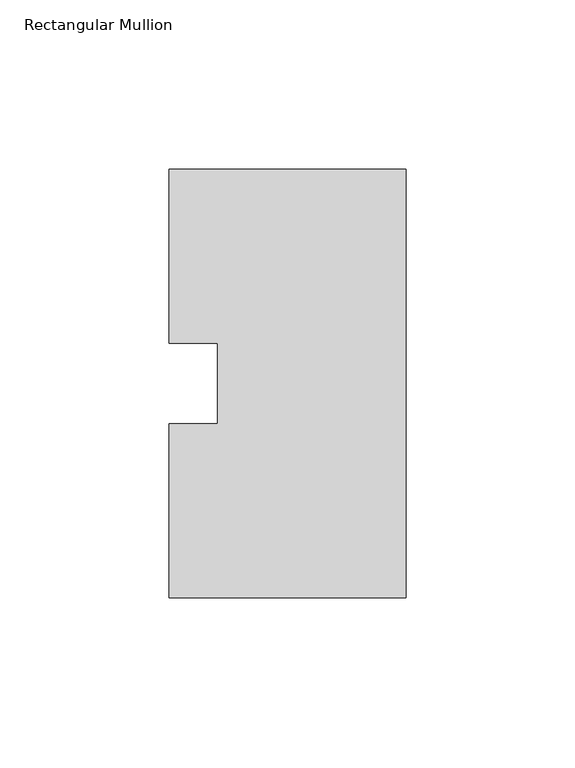
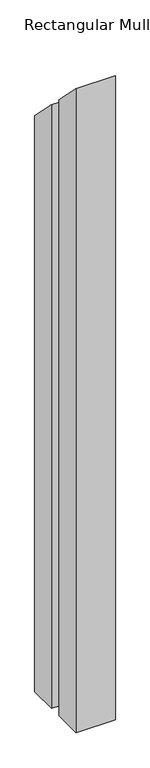
"""IFC4 building model written with IfcOpenShell, lengths in millimetres: member geometry, Rectangular Mullion."""

import ifcopenshell
import ifcopenshell.guid

model = None  # the IFC model being written
_history = None  # IfcOwnerHistory: only IFC2X3 demands one
_inside = {}  # id of a spatial element -> (the spatial element, [elements in it])
_under = {}  # id of a project, library or spatial element -> (it, [spatial elements below it])
_declared = {}  # id of a project -> (the project, [libraries it declares])
_typed = {}  # id of a type object -> (the type object, [elements of that type])
_made_of = {}  # id of a material, layer set ... -> (it, [elements and type objects made of it])


def new_model(schema):
    """Start an empty IFC model of exactly this schema.

    Asked for "IFC4X3", IfcOpenShell would pick the latest addendum, in which some entities
    have other attributes; the version numbers below select the first issue.
    IFC2X3 requires an IfcOwnerHistory on every rooted entity: one is made here for all.
    """
    global model, _history
    if schema == "IFC4X3":
        model = ifcopenshell.file(schema_version=(4, 3, 0, 0))
    else:
        model = ifcopenshell.file(schema=schema)
    _inside.clear()
    _under.clear()
    _declared.clear()
    _typed.clear()
    _made_of.clear()
    _history = None
    if model.schema == "IFC2X3":
        org = make("IfcOrganization", Name="unknown")
        user = make(
            "IfcPersonAndOrganization",
            ThePerson=make("IfcPerson", FamilyName="unknown"),
            TheOrganization=org,
        )
        app = make(
            "IfcApplication",
            ApplicationDeveloper=org,
            Version="unknown",
            ApplicationFullName="unknown",
            ApplicationIdentifier="unknown",
        )
        _history = make(
            "IfcOwnerHistory",
            OwningUser=user,
            OwningApplication=app,
            ChangeAction="ADDED",
            CreationDate=0,
        )
    return model


def make(cls, **values):
    """One entity of the class cls with the attributes given. An attribute that is None is left unset."""
    return model.create_entity(
        cls, **{name: value for name, value in values.items() if value is not None}
    )


def rooted(cls, **values):
    """An entity with a GlobalId (a new one), such as an element, a storey or a relation."""
    return make(cls, GlobalId=ifcopenshell.guid.new(), OwnerHistory=_history, **values)


def si_unit(unit_type, name, prefix=None):
    """IfcSIUnit, for example si_unit("LENGTHUNIT", "METRE", prefix="MILLI")."""
    return make("IfcSIUnit", UnitType=unit_type, Prefix=prefix, Name=name)


def assignment(units):
    """IfcUnitAssignment: the units of a project."""
    return None if units is None else make("IfcUnitAssignment", Units=units)


def point(xyz):
    """IfcCartesianPoint."""
    return None if xyz is None else make("IfcCartesianPoint", Coordinates=xyz)


def direction(xyz):
    """IfcDirection."""
    return None if xyz is None else make("IfcDirection", DirectionRatios=xyz)


def frame(location, z_axis=None, x_axis=None):
    """IfcAxis2Placement3D, a coordinate frame: its origin and axes. An axis left out is left unset."""
    return make(
        "IfcAxis2Placement3D",
        Location=point(location),
        Axis=direction(z_axis),
        RefDirection=direction(x_axis),
    )


def origin():
    """The frame at (0, 0, 0) with its axes left unset."""
    return frame((0.0, 0.0, 0.0))


def place(relative_to, where):
    """IfcLocalPlacement: puts the frame where relative to a parent placement (None: the world)."""
    return make(
        "IfcLocalPlacement", PlacementRelTo=relative_to, RelativePlacement=where
    )


def context(
    kind, dimensions, precision=None, world=None, true_north=None, identifier=None
):
    """IfcGeometricRepresentationContext, for example the 3D "Model" context."""
    return make(
        "IfcGeometricRepresentationContext",
        ContextIdentifier=identifier,
        ContextType=kind,
        CoordinateSpaceDimension=dimensions,
        Precision=precision,
        WorldCoordinateSystem=world,
        TrueNorth=true_north,
    )


def project(units=None, contexts=None):
    """IfcProject with its units and contexts."""
    return rooted(
        "IfcProject",
        Name="project",
        RepresentationContexts=contexts,
        UnitsInContext=assignment(units),
    )


def spatial(cls, under=None, at=None, **own):
    """A site, building, storey or space (cls), placed at a placement, below another one or the project."""
    s = rooted(cls, ObjectPlacement=at, **own)
    if under is not None:
        _under.setdefault(under.id(), (under, []))[1].append(s)
    return s


def faces_of(points, faces, orient=None, outer=None):
    """IfcFace entities. A face is a list of loops; a loop is a list of indices into points, from 0.

    orient and outer hold one flag for each loop. By default every Orientation is true, the
    first loop of a face is its IfcFaceOuterBound and the others are IfcFaceBound.
    """
    made = []
    for i, loops in enumerate(faces):
        bounds = []
        for j, loop in enumerate(loops):
            is_outer = j == 0 if outer is None else outer[i][j]
            bounds.append(
                make(
                    "IfcFaceOuterBound" if is_outer else "IfcFaceBound",
                    Bound=make("IfcPolyLoop", Polygon=[points[k] for k in loop]),
                    Orientation=True if orient is None else orient[i][j],
                )
            )
        made.append(make("IfcFace", Bounds=bounds))
    return made


def faceted_brep(points, faces, orient=None, outer=None, voids=None):
    """IfcFacetedBrep: a solid bounded by flat faces; with voids (closed shells), ...WithVoids."""
    shared = [point(p) for p in points]
    hull = make("IfcClosedShell", CfsFaces=faces_of(shared, faces, orient, outer))
    if voids is None:
        return make("IfcFacetedBrep", Outer=hull)
    return make(
        "IfcFacetedBrepWithVoids",
        Outer=hull,
        Voids=[
            make(cls, CfsFaces=faces_of(shared, fs, o, b)) for cls, fs, o, b in voids
        ],
    )


def shape(context_of_items, identifier, shape_type, items):
    """IfcShapeRepresentation: the items that make up one representation, for example the "Body"."""
    return make(
        "IfcShapeRepresentation",
        ContextOfItems=context_of_items,
        RepresentationIdentifier=identifier,
        RepresentationType=shape_type,
        Items=items,
    )


def source(mapping_origin, context_of_items, identifier, shape_type, items):
    """IfcRepresentationMap: a shape defined once, which mapped items show again and again."""
    return make(
        "IfcRepresentationMap",
        MappingOrigin=mapping_origin,
        MappedRepresentation=shape(context_of_items, identifier, shape_type, items),
    )


def transform(
    local_origin,
    x_axis=None,
    y_axis=None,
    z_axis=None,
    scale=None,
    scale2=None,
    scale3=None,
    uniform=True,
):
    """IfcCartesianTransformationOperator3D, or its non-uniform kind. x_axis, y_axis, z_axis: its Axis1, 2, 3."""
    if uniform:
        return make(
            "IfcCartesianTransformationOperator3D",
            Axis1=direction(x_axis),
            Axis2=direction(y_axis),
            LocalOrigin=point(local_origin),
            Scale=scale,
            Axis3=direction(z_axis),
        )
    return make(
        "IfcCartesianTransformationOperator3DnonUniform",
        Axis1=direction(x_axis),
        Axis2=direction(y_axis),
        LocalOrigin=point(local_origin),
        Scale=scale,
        Axis3=direction(z_axis),
        Scale2=scale2,
        Scale3=scale3,
    )


def mapped(mapping_source, mapping_target):
    """IfcMappedItem: shows the shape of a source again, moved by a transform."""
    return make(
        "IfcMappedItem", MappingSource=mapping_source, MappingTarget=mapping_target
    )


def made_of(thing, what):
    """Note that an element or type object is made of a material, layer set ...; save() writes the relation."""
    if what is not None:
        _made_of.setdefault(what.id(), (what, []))[1].append(thing)
    return thing


def element(
    cls,
    number,
    at=None,
    inside=None,
    cuts=None,
    type_object=None,
    material=None,
    context=None,
    identifier="Body",
    shape_type=None,
    held_by="IfcProductDefinitionShape",
    body=None,
    shapes=None,
    **own,
):
    """One element of the class cls, such as IfcWall. Its Tag is "e" and its number.

    at: its placement. inside: the storey or other place that contains it. cuts: it is an
    opening in that element (IfcRelVoidsElement). A single representation is given by context,
    identifier, shape_type and body (its items); several are given by shapes. held_by: the class
    of the entity that holds the representations. save() writes the other relations.
    """
    e = rooted(cls, Tag="e%d" % number, ObjectPlacement=at, **own)
    if body is not None:
        shapes = [shape(context, identifier, shape_type, body)]
    if shapes is not None:
        e.Representation = make(held_by, Representations=shapes)
    if inside is not None:
        _inside.setdefault(inside.id(), (inside, []))[1].append(e)
    if cuts is not None:
        rooted(
            "IfcRelVoidsElement", RelatingBuildingElement=cuts, RelatedOpeningElement=e
        )
    if type_object is not None:
        _typed.setdefault(type_object.id(), (type_object, []))[1].append(e)
    return made_of(e, material)


def aggregate(whole, parts):
    """IfcRelAggregates: a whole, such as a stair, and the parts it consists of."""
    return rooted("IfcRelAggregates", RelatingObject=whole, RelatedObjects=parts)


def save(model, path):
    """Write the relations noted so far, then the file.

    IfcRelAggregates (storeys below a building ...), IfcRelContainedInSpatialStructure (elements
    in a storey), IfcRelDefinesByType, IfcRelAssociatesMaterial and IfcRelDeclares: one each for
    every whole, place, type object, material and project.
    """
    for whole, parts in _under.values():
        aggregate(whole, parts)
    for where, things in _inside.values():
        rooted(
            "IfcRelContainedInSpatialStructure",
            RelatedElements=things,
            RelatingStructure=where,
        )
    for kind, things in _typed.values():
        rooted("IfcRelDefinesByType", RelatedObjects=things, RelatingType=kind)
    for what, things in _made_of.values():
        rooted("IfcRelAssociatesMaterial", RelatedObjects=things, RelatingMaterial=what)
    for by, libraries in _declared.values():
        rooted("IfcRelDeclares", RelatingContext=by, RelatedDefinitions=libraries)
    model.write(path)


def rectangular_mullion_f5c4ebbf(model_context):
    return source(origin(), model_context, "Body", "Brep", [
        faceted_brep([(0.0, 126.75235, -1206.50635), (0.0, 0.26035, -1206.50635), (-69.85, 0.26035, -1206.50635), (-69.85, 51.60645, -1206.50635), (-55.5625, 51.60645, -1206.50635), (-55.5625, 75.40625, -1206.50635), (-69.85, 75.40625, -1206.50635), (-69.85, 126.75235, -1206.50635), (-69.85, 126.75235, -126.75235), (0.0, 126.75235, -126.75235), (-69.85, 75.40625, -75.40625), (-55.5625, 75.40625, -75.40625), (-55.5625, 51.60645, -51.60645), (-69.85, 51.60645, -51.60645), (-69.85, 0.26035, -0.26035), (0.0, 0.26035, -0.26035)], [[[0, 1, 2, 3, 4, 5, 6, 7]], [[8, 9, 0, 7]], [[10, 8, 7, 6]], [[11, 10, 6, 5]], [[12, 11, 5, 4]], [[13, 12, 4, 3]], [[14, 13, 3, 2]], [[15, 14, 2, 1]], [[9, 15, 1, 0]], [[9, 8, 10, 11, 12, 13, 14, 15]]]),
    ])


if __name__ == "__main__":
    model = new_model("IFC4")
    model_context = context("Model", 3, world=origin())
    ifc_project = project(units=[si_unit("LENGTHUNIT", "METRE", prefix="MILLI")], contexts=[model_context])
    site = spatial("IfcSite", under=ifc_project)
    building = spatial("IfcBuilding", under=site)
    placement = place(None, origin())
    rectangular_mullion_shape = rectangular_mullion_f5c4ebbf(model_context)
    element("IfcMember", 1, ObjectType="Rectangular Mullion", at=placement, inside=building, context=model_context, shape_type="MappedRepresentation", body=[
        mapped(rectangular_mullion_shape, transform((0.0, 0.0, 0.0), x_axis=(1.0, 0.0, 0.0), y_axis=(0.0, 1.0, 0.0), z_axis=(0.0, 0.0, 1.0))),
    ])
    save(model, "model.ifc")
